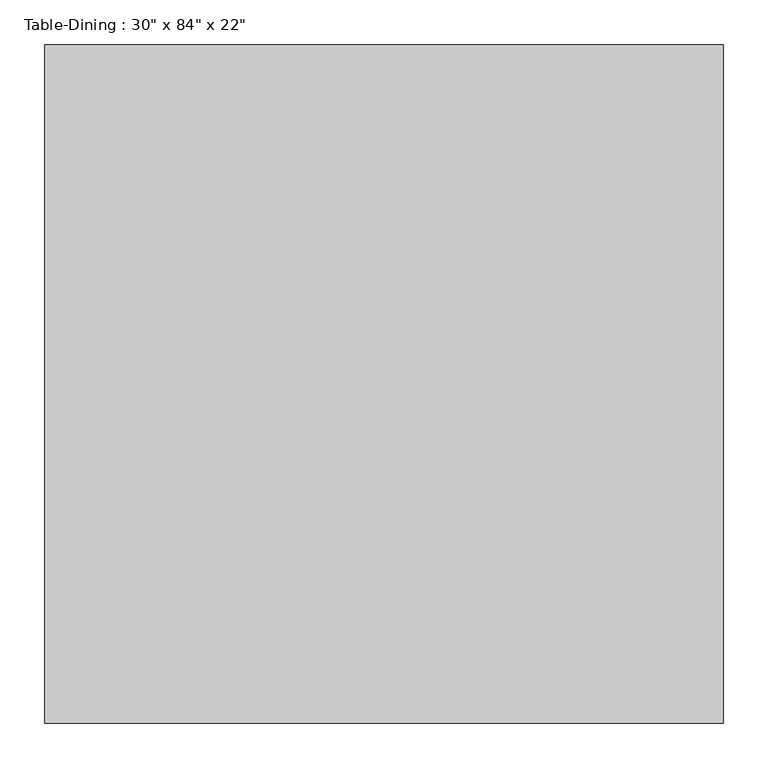
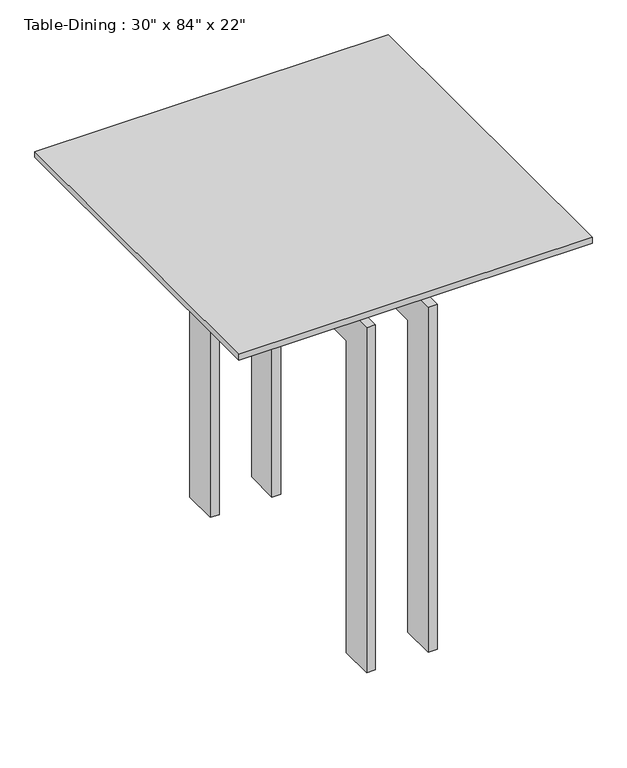
"""IFC4 building model written with IfcOpenShell, lengths in millimetres: furniture geometry."""

from ifc_helpers import new_model, si_unit, frame, origin, place, context, project, spatial, polyline, outline, extrude, source, transform, mapped, element, save


def furniture_746e48b8(model_context):
    return source(origin(), model_context, "Body", "SweptSolid", [
        extrude(outline(polyline([(297.6657667, -297.7823857), (-261.1342333, -297.7823857), (-261.1342333, -272.3823857), (297.6657667, -272.3823857), (297.6657667, -297.7823857)])), frame((0.0, 0.0, 787.4), z_axis=(0.0, 0.0, 1.0), x_axis=(1.0, 0.0, 0.0)), (0.0, 0.0, 1.0), 63.5),
        extrude(outline(polyline([(297.6657667, 82.5889222), (-261.1342333, 82.5889222), (-261.1342333, 107.9889222), (297.6657667, 107.9889222), (297.6657667, 82.5889222)])), frame((0.0, 0.0, 787.4), z_axis=(0.0, 0.0, 1.0), x_axis=(1.0, 0.0, 0.0)), (0.0, 0.0, 1.0), 63.5),
        extrude(outline(polyline([(-425.4110778, 0.0), (-425.4110778, 787.4), (234.9889222, 787.4), (234.9889222, 0.0), (158.7889222, 0.0), (158.7889222, 711.2), (-349.2110778, 711.2), (-349.2110778, 0.0), (-425.4110778, 0.0)])), frame((75.4157667, 0.0, 0.0), z_axis=(1.0, 0.0, 0.0), x_axis=(0.0, 1.0, 0.0)), (0.0, 0.0, 1.0), 19.05),
        extrude(outline(polyline([(-425.4110778, 787.4), (234.9889222, 787.4), (234.9889222, 0.0), (158.7889222, 0.0), (158.7889222, 711.2), (-349.2110778, 711.2), (-349.2110778, 0.0), (-425.4110778, 0.0), (-425.4110778, 787.4)])), frame((-57.9342333, 0.0, 0.0), z_axis=(1.0, 0.0, 0.0), x_axis=(0.0, 1.0, 0.0)), (0.0, 0.0, 1.0), 19.05),
        extrude(outline(polyline([(399.2657667, -476.2110778), (-362.7342333, -476.2110778), (-362.7342333, 285.7889222), (399.2657667, 285.7889222), (399.2657667, -476.2110778)])), frame((0.0, 0.0, 850.9), z_axis=(0.0, 0.0, 1.0), x_axis=(1.0, 0.0, 0.0)), (0.0, 0.0, 1.0), 12.7),
    ])


if __name__ == "__main__":
    model = new_model("IFC4")
    model_context = context("Model", 3, world=origin())
    ifc_project = project(units=[si_unit("LENGTHUNIT", "METRE", prefix="MILLI")], contexts=[model_context])
    site = spatial("IfcSite", under=ifc_project)
    building = spatial("IfcBuilding", under=site)
    placement = place(None, origin())
    furniture_shape = furniture_746e48b8(model_context)
    element("IfcFurniture", 1, ObjectType="Table-Dining : 30\" x 84\" x 22\"", at=placement, inside=building, context=model_context, shape_type="MappedRepresentation", body=[
        mapped(furniture_shape, transform((0.0, 0.0, 0.0), x_axis=(1.0, 0.0, 0.0), y_axis=(0.0, 1.0, 0.0), z_axis=(0.0, 0.0, 1.0))),
    ])
    save(model, "model.ifc")
